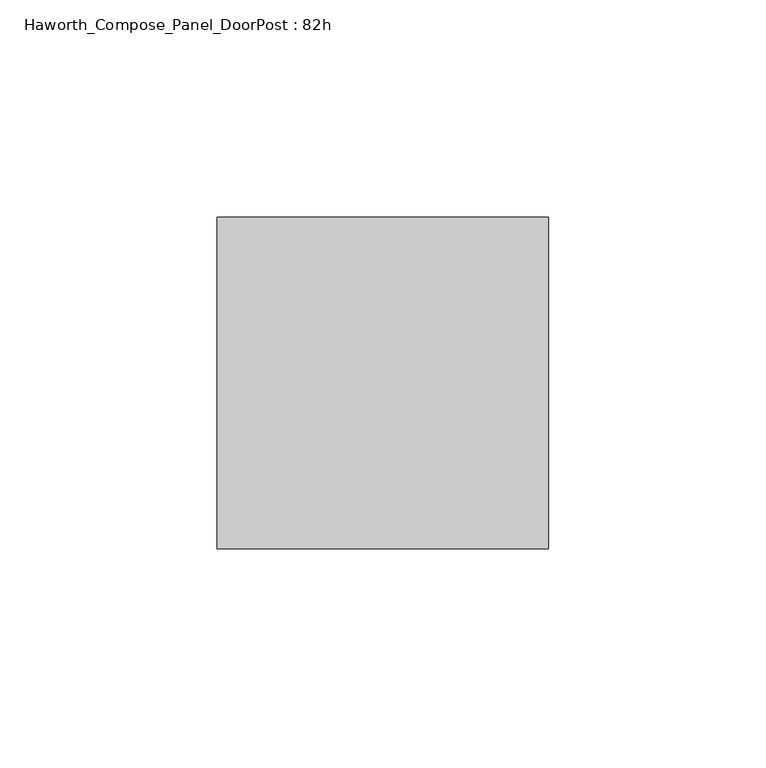
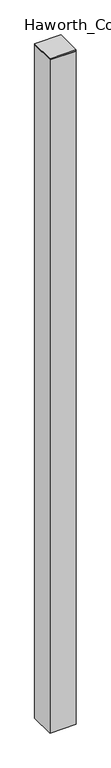
"""IFC4 building model written with IfcOpenShell, lengths in millimetres: furniture geometry, Haworth_Compose_Panel_DoorPost : 82h."""

from ifc_helpers import new_model, si_unit, frame, origin, place, context, project, spatial, polyline, outline, extrude, source, transform, mapped, element, save


def haworth_compose_panel_doorpost_82h_8a2cafbc(model_context):
    return source(origin(), model_context, "Body", "SweptSolid", [
        extrude(outline(polyline([(76.2, 38.1), (76.2, -38.1), (0.0, -38.1), (0.0, 38.1), (76.2, 38.1)])), frame((0.0, 0.0, 12.7), z_axis=(0.0, 0.0, 1.0), x_axis=(1.0, 0.0, 0.0)), (0.0, 0.0, 1.0), 2063.75),
        extrude(outline(polyline([(0.0, 38.1), (76.2, 38.1), (76.2, -38.1), (0.0, -38.1), (0.0, 38.1)])), frame((0.0, 0.0, 2076.45), z_axis=(0.0, 0.0, 1.0), x_axis=(1.0, 0.0, 0.0)), (0.0, 0.0, 1.0), 3.175),
    ])


if __name__ == "__main__":
    model = new_model("IFC4")
    model_context = context("Model", 3, world=origin())
    ifc_project = project(units=[si_unit("LENGTHUNIT", "METRE", prefix="MILLI")], contexts=[model_context])
    site = spatial("IfcSite", under=ifc_project)
    building = spatial("IfcBuilding", under=site)
    placement = place(None, origin())
    haworth_compose_panel_doorpost_82h_shape = haworth_compose_panel_doorpost_82h_8a2cafbc(model_context)
    element("IfcFurniture", 1, ObjectType="Haworth_Compose_Panel_DoorPost : 82h", at=placement, inside=building, context=model_context, shape_type="MappedRepresentation", body=[
        mapped(haworth_compose_panel_doorpost_82h_shape, transform((0.0, 0.0, 0.0), x_axis=(1.0, 0.0, 0.0), y_axis=(0.0, 1.0, 0.0), z_axis=(0.0, 0.0, 1.0))),
    ])
    save(model, "model.ifc")
